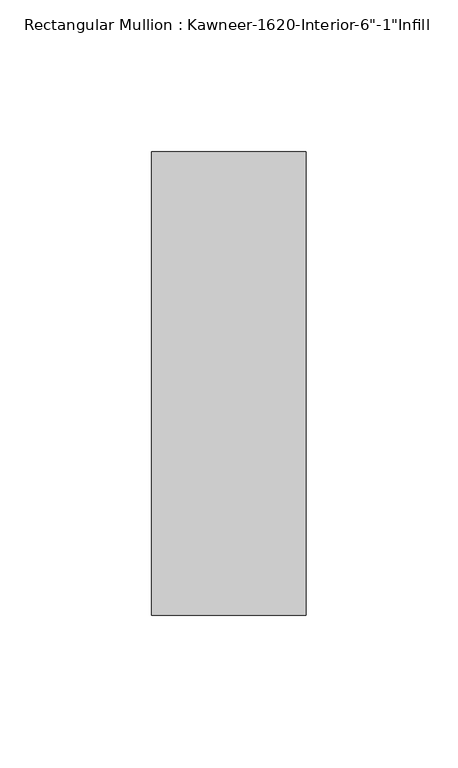
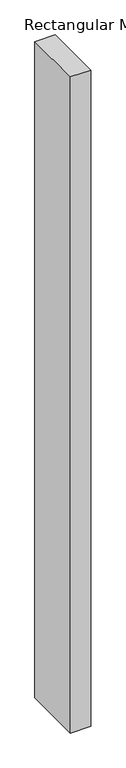
"""IFC4 building model written with IfcOpenShell, lengths in millimetres: member geometry."""

from ifc_helpers import new_model, si_unit, frame, origin, place, context, project, spatial, polyline, outline, extrude, source, transform, mapped, element, save


def member_40dc482d(model_context):
    return source(origin(), model_context, "Body", "SweptSolid", [
        extrude(outline(polyline([(25.4, -114.3), (-25.4, -114.3), (-25.4, 38.1), (25.4, 38.1), (25.4, -114.3)])), frame((0.0, 0.0, -1720.85), z_axis=(0.0, 0.0, 1.0), x_axis=(1.0, 0.0, 0.0)), (0.0, 0.0, 1.0), 1720.85),
    ])


if __name__ == "__main__":
    model = new_model("IFC4")
    model_context = context("Model", 3, world=origin())
    ifc_project = project(units=[si_unit("LENGTHUNIT", "METRE", prefix="MILLI")], contexts=[model_context])
    site = spatial("IfcSite", under=ifc_project)
    building = spatial("IfcBuilding", under=site)
    placement = place(None, origin())
    member_shape = member_40dc482d(model_context)
    element("IfcMember", 1, ObjectType="Rectangular Mullion : Kawneer-1620-Interior-6\"-1\"Infill", at=placement, inside=building, context=model_context, shape_type="MappedRepresentation", body=[
        mapped(member_shape, transform((0.0, 0.0, 0.0), x_axis=(1.0, 0.0, 0.0), y_axis=(0.0, 1.0, 0.0), z_axis=(0.0, 0.0, 1.0))),
    ])
    save(model, "model.ifc")
